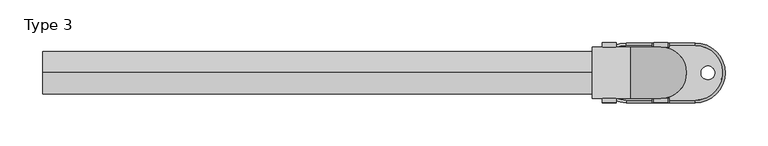
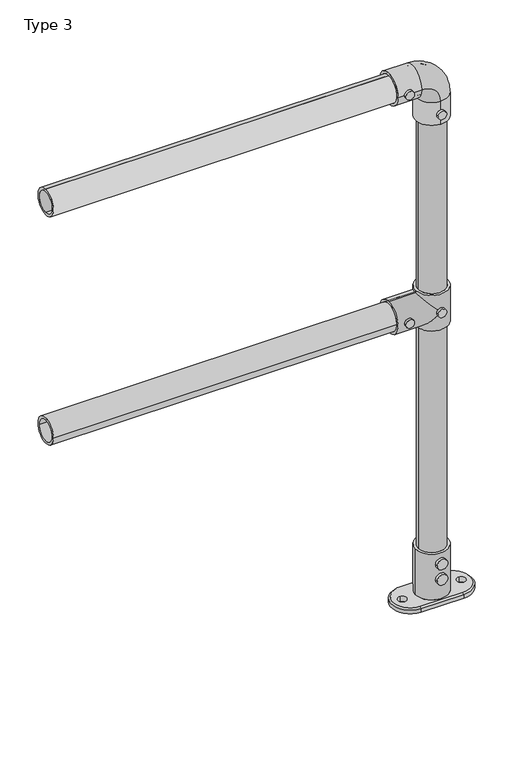
"""IFC4 building model written with IfcOpenShell, lengths in millimetres: proxy geometry, Type 3."""

import ifcopenshell
import ifcopenshell.guid

model = None  # the IFC model being written
_history = None  # IfcOwnerHistory: only IFC2X3 demands one
_inside = {}  # id of a spatial element -> (the spatial element, [elements in it])
_under = {}  # id of a project, library or spatial element -> (it, [spatial elements below it])
_declared = {}  # id of a project -> (the project, [libraries it declares])
_typed = {}  # id of a type object -> (the type object, [elements of that type])
_made_of = {}  # id of a material, layer set ... -> (it, [elements and type objects made of it])


def new_model(schema):
    """Start an empty IFC model of exactly this schema.

    Asked for "IFC4X3", IfcOpenShell would pick the latest addendum, in which some entities
    have other attributes; the version numbers below select the first issue.
    IFC2X3 requires an IfcOwnerHistory on every rooted entity: one is made here for all.
    """
    global model, _history
    if schema == "IFC4X3":
        model = ifcopenshell.file(schema_version=(4, 3, 0, 0))
    else:
        model = ifcopenshell.file(schema=schema)
    _inside.clear()
    _under.clear()
    _declared.clear()
    _typed.clear()
    _made_of.clear()
    _history = None
    if model.schema == "IFC2X3":
        org = make("IfcOrganization", Name="unknown")
        user = make(
            "IfcPersonAndOrganization",
            ThePerson=make("IfcPerson", FamilyName="unknown"),
            TheOrganization=org,
        )
        app = make(
            "IfcApplication",
            ApplicationDeveloper=org,
            Version="unknown",
            ApplicationFullName="unknown",
            ApplicationIdentifier="unknown",
        )
        _history = make(
            "IfcOwnerHistory",
            OwningUser=user,
            OwningApplication=app,
            ChangeAction="ADDED",
            CreationDate=0,
        )
    return model


def make(cls, **values):
    """One entity of the class cls with the attributes given. An attribute that is None is left unset."""
    return model.create_entity(
        cls, **{name: value for name, value in values.items() if value is not None}
    )


def rooted(cls, **values):
    """An entity with a GlobalId (a new one), such as an element, a storey or a relation."""
    return make(cls, GlobalId=ifcopenshell.guid.new(), OwnerHistory=_history, **values)


def si_unit(unit_type, name, prefix=None):
    """IfcSIUnit, for example si_unit("LENGTHUNIT", "METRE", prefix="MILLI")."""
    return make("IfcSIUnit", UnitType=unit_type, Prefix=prefix, Name=name)


def assignment(units):
    """IfcUnitAssignment: the units of a project."""
    return None if units is None else make("IfcUnitAssignment", Units=units)


def point(xyz):
    """IfcCartesianPoint."""
    return None if xyz is None else make("IfcCartesianPoint", Coordinates=xyz)


def direction(xyz):
    """IfcDirection."""
    return None if xyz is None else make("IfcDirection", DirectionRatios=xyz)


def frame(location, z_axis=None, x_axis=None):
    """IfcAxis2Placement3D, a coordinate frame: its origin and axes. An axis left out is left unset."""
    return make(
        "IfcAxis2Placement3D",
        Location=point(location),
        Axis=direction(z_axis),
        RefDirection=direction(x_axis),
    )


def frame_2d(location, x_axis=None):
    """IfcAxis2Placement2D, a coordinate frame in the plane: its origin and x axis."""
    return make(
        "IfcAxis2Placement2D", Location=point(location), RefDirection=direction(x_axis)
    )


def origin():
    """The frame at (0, 0, 0) with its axes left unset."""
    return frame((0.0, 0.0, 0.0))


def place(relative_to, where):
    """IfcLocalPlacement: puts the frame where relative to a parent placement (None: the world)."""
    return make(
        "IfcLocalPlacement", PlacementRelTo=relative_to, RelativePlacement=where
    )


def context(
    kind, dimensions, precision=None, world=None, true_north=None, identifier=None
):
    """IfcGeometricRepresentationContext, for example the 3D "Model" context."""
    return make(
        "IfcGeometricRepresentationContext",
        ContextIdentifier=identifier,
        ContextType=kind,
        CoordinateSpaceDimension=dimensions,
        Precision=precision,
        WorldCoordinateSystem=world,
        TrueNorth=true_north,
    )


def project(units=None, contexts=None):
    """IfcProject with its units and contexts."""
    return rooted(
        "IfcProject",
        Name="project",
        RepresentationContexts=contexts,
        UnitsInContext=assignment(units),
    )


def spatial(cls, under=None, at=None, **own):
    """A site, building, storey or space (cls), placed at a placement, below another one or the project."""
    s = rooted(cls, ObjectPlacement=at, **own)
    if under is not None:
        _under.setdefault(under.id(), (under, []))[1].append(s)
    return s


def polyline(points):
    """IfcPolyline through the points."""
    return make("IfcPolyline", Points=[point(p) for p in points])


def circle_curve(where, radius):
    """IfcCircle in the frame where."""
    return make("IfcCircle", Position=where, Radius=radius)


def ellipse_curve(where, semi_axis1, semi_axis2):
    """IfcEllipse in the frame where."""
    return make(
        "IfcEllipse", Position=where, SemiAxis1=semi_axis1, SemiAxis2=semi_axis2
    )


def trimmed(basis, trim1, trim2, sense, master):
    """IfcTrimmedCurve: the piece of a basis curve between two trims."""
    return make(
        "IfcTrimmedCurve",
        BasisCurve=basis,
        Trim1=trim1,
        Trim2=trim2,
        SenseAgreement=sense,
        MasterRepresentation=master,
    )


def segment(curve, same_sense, transition):
    """IfcCompositeCurveSegment."""
    return make(
        "IfcCompositeCurveSegment",
        Transition=transition,
        SameSense=same_sense,
        ParentCurve=curve,
    )


def composite_curve(segments, self_intersect=None):
    """IfcCompositeCurve: segments joined end to end."""
    return make("IfcCompositeCurve", Segments=segments, SelfIntersect=self_intersect)


def outline(outer, holes=None, kind="AREA"):
    """IfcArbitraryClosedProfileDef: a profile drawn as a closed curve; with holes, ...WithVoids."""
    if holes is None:
        return make("IfcArbitraryClosedProfileDef", ProfileType=kind, OuterCurve=outer)
    return make(
        "IfcArbitraryProfileDefWithVoids",
        ProfileType=kind,
        OuterCurve=outer,
        InnerCurves=holes,
    )


def extrude(swept, where, along, depth):
    """IfcExtrudedAreaSolid: the profile swept, set in the frame where, extruded along a direction by depth."""
    return make(
        "IfcExtrudedAreaSolid",
        SweptArea=swept,
        Position=where,
        ExtrudedDirection=direction(along),
        Depth=depth,
    )


def shape(context_of_items, identifier, shape_type, items):
    """IfcShapeRepresentation: the items that make up one representation, for example the "Body"."""
    return make(
        "IfcShapeRepresentation",
        ContextOfItems=context_of_items,
        RepresentationIdentifier=identifier,
        RepresentationType=shape_type,
        Items=items,
    )


def source(mapping_origin, context_of_items, identifier, shape_type, items):
    """IfcRepresentationMap: a shape defined once, which mapped items show again and again."""
    return make(
        "IfcRepresentationMap",
        MappingOrigin=mapping_origin,
        MappedRepresentation=shape(context_of_items, identifier, shape_type, items),
    )


def transform(
    local_origin,
    x_axis=None,
    y_axis=None,
    z_axis=None,
    scale=None,
    scale2=None,
    scale3=None,
    uniform=True,
):
    """IfcCartesianTransformationOperator3D, or its non-uniform kind. x_axis, y_axis, z_axis: its Axis1, 2, 3."""
    if uniform:
        return make(
            "IfcCartesianTransformationOperator3D",
            Axis1=direction(x_axis),
            Axis2=direction(y_axis),
            LocalOrigin=point(local_origin),
            Scale=scale,
            Axis3=direction(z_axis),
        )
    return make(
        "IfcCartesianTransformationOperator3DnonUniform",
        Axis1=direction(x_axis),
        Axis2=direction(y_axis),
        LocalOrigin=point(local_origin),
        Scale=scale,
        Axis3=direction(z_axis),
        Scale2=scale2,
        Scale3=scale3,
    )


def mapped(mapping_source, mapping_target):
    """IfcMappedItem: shows the shape of a source again, moved by a transform."""
    return make(
        "IfcMappedItem", MappingSource=mapping_source, MappingTarget=mapping_target
    )


def made_of(thing, what):
    """Note that an element or type object is made of a material, layer set ...; save() writes the relation."""
    if what is not None:
        _made_of.setdefault(what.id(), (what, []))[1].append(thing)
    return thing


def element(
    cls,
    number,
    at=None,
    inside=None,
    cuts=None,
    type_object=None,
    material=None,
    context=None,
    identifier="Body",
    shape_type=None,
    held_by="IfcProductDefinitionShape",
    body=None,
    shapes=None,
    **own,
):
    """One element of the class cls, such as IfcWall. Its Tag is "e" and its number.

    at: its placement. inside: the storey or other place that contains it. cuts: it is an
    opening in that element (IfcRelVoidsElement). A single representation is given by context,
    identifier, shape_type and body (its items); several are given by shapes. held_by: the class
    of the entity that holds the representations. save() writes the other relations.
    """
    e = rooted(cls, Tag="e%d" % number, ObjectPlacement=at, **own)
    if body is not None:
        shapes = [shape(context, identifier, shape_type, body)]
    if shapes is not None:
        e.Representation = make(held_by, Representations=shapes)
    if inside is not None:
        _inside.setdefault(inside.id(), (inside, []))[1].append(e)
    if cuts is not None:
        rooted(
            "IfcRelVoidsElement", RelatingBuildingElement=cuts, RelatedOpeningElement=e
        )
    if type_object is not None:
        _typed.setdefault(type_object.id(), (type_object, []))[1].append(e)
    return made_of(e, material)


def aggregate(whole, parts):
    """IfcRelAggregates: a whole, such as a stair, and the parts it consists of."""
    return rooted("IfcRelAggregates", RelatingObject=whole, RelatedObjects=parts)


def save(model, path):
    """Write the relations noted so far, then the file.

    IfcRelAggregates (storeys below a building ...), IfcRelContainedInSpatialStructure (elements
    in a storey), IfcRelDefinesByType, IfcRelAssociatesMaterial and IfcRelDeclares: one each for
    every whole, place, type object, material and project.
    """
    for whole, parts in _under.values():
        aggregate(whole, parts)
    for where, things in _inside.values():
        rooted(
            "IfcRelContainedInSpatialStructure",
            RelatedElements=things,
            RelatingStructure=where,
        )
    for kind, things in _typed.values():
        rooted("IfcRelDefinesByType", RelatedObjects=things, RelatingType=kind)
    for what, things in _made_of.values():
        rooted("IfcRelAssociatesMaterial", RelatedObjects=things, RelatingMaterial=what)
    for by, libraries in _declared.values():
        rooted("IfcRelDeclares", RelatingContext=by, RelatedDefinitions=libraries)
    model.write(path)


def plane_surface(at):
    """IfcPlane: the flat surface through the origin of the frame at, square to its z axis."""
    return make("IfcPlane", Position=at)


def cylinder_surface(at, radius):
    """IfcCylindricalSurface: all points at the distance radius from the z axis of the frame at."""
    return make("IfcCylindricalSurface", Position=at, Radius=radius)


def revolved_surface(curve, axis_point, axis_direction):
    """IfcSurfaceOfRevolution: the curve turned about the line through axis_point along axis_direction."""
    return make(
        "IfcSurfaceOfRevolution",
        SweptCurve=make("IfcArbitraryOpenProfileDef", ProfileType="CURVE", Curve=curve),
        AxisPosition=make("IfcAxis1Placement", Location=point(axis_point), Axis=direction(axis_direction)),
    )


def advanced_brep(points, edges, surfaces, faces):
    """IfcAdvancedBrep: a solid bounded by faces that lie on surfaces and meet in shared edges.

    An edge is (start, end): straight between two places in points (the first is 0);
    or (start, end, curve); or (start, end, curve, False) where it runs against its curve.
    A face is (place in surfaces, loops), or (place, loops, False) where it looks against
    its surface's normal. A loop lists edges by number (the first is 1), with a minus sign
    where the edge is run from its end to its start. The first loop is the outer one.
    """
    corners = [point(p) for p in points]
    vertices = [make("IfcVertexPoint", VertexGeometry=c) for c in corners]
    made = []
    for start, end, *more in edges:
        made.append(
            make(
                "IfcEdgeCurve",
                EdgeStart=vertices[start],
                EdgeEnd=vertices[end],
                EdgeGeometry=more[0] if more else make("IfcPolyline", Points=[corners[start], corners[end]]),
                SameSense=more[1] if len(more) > 1 else True,
            )
        )
    hull = []
    for where, loops, *sense in faces:
        bounds = []
        for j, loop in enumerate(loops):
            ring = [make("IfcOrientedEdge", EdgeElement=made[abs(k) - 1], Orientation=k > 0) for k in loop]
            bounds.append(
                make(
                    "IfcFaceOuterBound" if j == 0 else "IfcFaceBound",
                    Bound=make("IfcEdgeLoop", EdgeList=ring),
                    Orientation=True,
                )
            )
        hull.append(make("IfcAdvancedFace", Bounds=bounds, FaceSurface=surfaces[where], SameSense=sense[0] if sense else True))
    return make("IfcAdvancedBrep", Outer=make("IfcClosedShell", CfsFaces=hull))


def type_3_bb05e3bc(model_context):
    return source(origin(), model_context, "Body", "SolidModel", [
        extrude(outline(composite_curve([segment(trimmed(circle_curve(frame_2d((575.0, 800.0)), 8.0), [point((575.0, 808.0))], [point((575.0, 792.0))], False, "CARTESIAN"), True, "CONTINUOUS"), segment(trimmed(circle_curve(frame_2d((575.0, 800.0)), 8.0), [point((575.0, 792.0))], [point((575.0, 808.0))], False, "CARTESIAN"), True, "CONTINUOUS")], self_intersect=False)), frame((0.0, -35.0, 0.0), z_axis=(0.0, 1.0, 0.0), x_axis=(0.0, 0.0, 1.0)), (0.0, 0.0, 1.0), 5.0),
        extrude(outline(composite_curve([segment(trimmed(circle_curve(frame_2d((575.0, 740.0)), 8.0), [point((575.0, 748.0))], [point((575.0, 732.0))], False, "CARTESIAN"), True, "CONTINUOUS"), segment(trimmed(circle_curve(frame_2d((575.0, 740.0)), 8.0), [point((575.0, 732.0))], [point((575.0, 748.0))], False, "CARTESIAN"), True, "CONTINUOUS")], self_intersect=False)), frame((0.0, -35.0, 0.0), z_axis=(0.0, 1.0, 0.0), x_axis=(0.0, 0.0, 1.0)), (0.0, 0.0, 1.0), 5.0),
        extrude(outline(composite_curve([segment(trimmed(circle_curve(frame_2d((575.0, 800.0)), 8.0), [point((575.0, 808.0))], [point((575.0, 792.0))], False, "CARTESIAN"), True, "CONTINUOUS"), segment(trimmed(circle_curve(frame_2d((575.0, 800.0)), 8.0), [point((575.0, 792.0))], [point((575.0, 808.0))], False, "CARTESIAN"), True, "CONTINUOUS")], self_intersect=False)), frame((0.0, 30.0, 0.0), z_axis=(0.0, 1.0, 0.0), x_axis=(0.0, 0.0, 1.0)), (0.0, 0.0, 1.0), 5.0),
        extrude(outline(composite_curve([segment(trimmed(circle_curve(frame_2d((575.0, 740.0)), 8.0), [point((575.0, 748.0))], [point((575.0, 732.0))], False, "CARTESIAN"), True, "CONTINUOUS"), segment(trimmed(circle_curve(frame_2d((575.0, 740.0)), 8.0), [point((575.0, 732.0))], [point((575.0, 748.0))], False, "CARTESIAN"), True, "CONTINUOUS")], self_intersect=False)), frame((0.0, 30.0, 0.0), z_axis=(0.0, 1.0, 0.0), x_axis=(0.0, 0.0, 1.0)), (0.0, 0.0, 1.0), 5.0),
        advanced_brep(
        [(830.0, 0.0, 610.0), (770.0, 0.0, 610.0), (800.0, 25.0, 610.0), (800.0, -25.0, 610.0), (830.0, 0.0, 540.0), (770.0, 0.0, 540.0), (800.0, -25.0, 540.0), (800.0, 25.0, 540.0), (770.0, 0.0, 545.0), (800.0, 30.0, 575.0), (770.0, 0.0, 605.0), (800.0, -30.0, 575.0), (720.0, 0.0, 545.0), (720.0, 0.0, 605.0), (720.0, 0.0, 600.0), (720.0, 0.0, 550.0), (775.0, 0.0, 600.0), (800.0, -25.0, 575.0), (775.0, 0.0, 550.0), (800.0, 25.0, 575.0)],
        [
            (0, 1, circle_curve(frame((800.0, 0.0, 610.0), z_axis=(0.0, 0.0, 1.0), x_axis=(-1.0, 0.0, 0.0)), 30.0)),
            (1, 0, circle_curve(frame((800.0, 0.0, 610.0), z_axis=(0.0, 0.0, 1.0), x_axis=(-1.0, 0.0, 0.0)), 30.0)),
            (2, 3, circle_curve(frame((800.0, 0.0, 610.0), z_axis=(0.0, 0.0, -1.0), x_axis=(0.0, -1.0, 0.0)), 25.0)),
            (3, 2, circle_curve(frame((800.0, 0.0, 610.0), z_axis=(0.0, 0.0, -1.0), x_axis=(0.0, -1.0, 0.0)), 25.0)),
            (4, 5, circle_curve(frame((800.0, 0.0, 540.0), z_axis=(0.0, 0.0, -1.0), x_axis=(-1.0, 0.0, 0.0)), 30.0)),
            (5, 4, circle_curve(frame((800.0, 0.0, 540.0), z_axis=(0.0, 0.0, -1.0), x_axis=(-1.0, 0.0, 0.0)), 30.0)),
            (6, 7, circle_curve(frame((800.0, 0.0, 540.0), z_axis=(0.0, 0.0, 1.0), x_axis=(0.0, -1.0, 0.0)), 25.0)),
            (7, 6, circle_curve(frame((800.0, 0.0, 540.0), z_axis=(0.0, 0.0, 1.0), x_axis=(0.0, -1.0, 0.0)), 25.0)),
            (0, 4),
            (5, 8),
            (8, 9, ellipse_curve(frame((800.0, 0.0, 575.0), z_axis=(0.7071067811865458, 0.0, -0.7071067811865492), x_axis=(0.7071067811865492, 0.0, 0.7071067811865458)), 42.4264069, 30.0)),
            (9, 10, ellipse_curve(frame((800.0, 0.0, 575.0), z_axis=(0.7071067811865492, 0.0, 0.7071067811865458), x_axis=(-0.7071067811865458, 0.0, 0.7071067811865492)), 42.4264069, 30.0)),
            (10, 1),
            (10, 11, ellipse_curve(frame((800.0, 0.0, 575.0), z_axis=(0.7071067811865492, 0.0, 0.7071067811865458), x_axis=(-0.7071067811865458, 0.0, 0.7071067811865492)), 42.4264069, 30.0)),
            (11, 8, ellipse_curve(frame((800.0, 0.0, 575.0), z_axis=(0.7071067811865458, 0.0, -0.7071067811865492), x_axis=(0.7071067811865492, 0.0, 0.7071067811865458)), 42.4264069, 30.0)),
            (12, 13, circle_curve(frame((720.0, 0.0, 575.0), z_axis=(-1.0, 0.0, 0.0), x_axis=(0.0, 0.0, 1.0)), 30.0)),
            (13, 12, circle_curve(frame((720.0, 0.0, 575.0), z_axis=(-1.0, 0.0, 0.0), x_axis=(0.0, 0.0, 1.0)), 30.0)),
            (14, 15, circle_curve(frame((720.0, 0.0, 575.0), z_axis=(1.0, 0.0, 0.0), x_axis=(0.0, 0.0, -1.0)), 25.0)),
            (15, 14, circle_curve(frame((720.0, 0.0, 575.0), z_axis=(1.0, 0.0, 0.0), x_axis=(0.0, 0.0, -1.0)), 25.0)),
            (12, 8),
            (10, 13),
            (14, 16),
            (16, 17, ellipse_curve(frame((800.0, 0.0, 575.0), z_axis=(0.7071067811865492, 0.0, 0.7071067811865458), x_axis=(0.7071067811865458, 0.0, -0.7071067811865492)), 35.3553391, 25.0)),
            (17, 18, ellipse_curve(frame((800.0, 0.0, 575.0), z_axis=(0.7071067811865458, 0.0, -0.7071067811865492), x_axis=(0.7071067811865492, 0.0, 0.7071067811865457)), 35.3553391, 25.0)),
            (18, 15),
            (18, 19, ellipse_curve(frame((800.0, 0.0, 575.0), z_axis=(0.7071067811865458, 0.0, -0.7071067811865492), x_axis=(0.7071067811865492, 0.0, 0.7071067811865457)), 35.3553391, 25.0)),
            (19, 16, ellipse_curve(frame((800.0, 0.0, 575.0), z_axis=(0.7071067811865492, 0.0, 0.7071067811865458), x_axis=(0.7071067811865458, 0.0, -0.7071067811865492)), 35.3553391, 25.0)),
            (2, 19),
            (19, 7),
            (6, 17),
            (17, 3),
        ],
        [
            plane_surface(frame((770.0, 0.0, 610.0), z_axis=(0.0, 0.0, 1.0), x_axis=(0.0, -1.0, 0.0))),
            plane_surface(frame((770.0, 0.0, 540.0), z_axis=(0.0, 0.0, -1.0), x_axis=(0.0, 1.0, 0.0))),
            cylinder_surface(frame((800.0, 0.0, 540.0), z_axis=(0.0, 0.0, 1.0), x_axis=(-1.0, 0.0, 0.0)), 30.0),
            plane_surface(frame((720.0, 0.0, 605.0), z_axis=(-1.0, 0.0, 0.0), x_axis=(0.0, 1.0, 0.0))),
            cylinder_surface(frame((800.0, 0.0, 575.0), z_axis=(-1.0, 0.0, 0.0), x_axis=(0.0, 0.0, 1.0)), 30.0),
            revolved_surface(polyline([(825.0000000287599, 0.0, 550.0), (720.0, 0.0, 550.0)]), (720.0, 0.0, 575.0), (1.0, 0.0, 0.0)),
            revolved_surface(polyline([(800.0, -25.0, 540.0), (800.0, -25.0, 610.0)]), (800.0, 0.0, 610.0), (0.0, 0.0, -1.0)),
            revolved_surface(polyline([(800.0, -25.0, 549.9999999712401), (800.0, -25.0, 610.0)]), (800.0, 0.0, 610.0), (0.0, 0.0, -1.0)),
            revolved_surface(polyline([(800.0, -25.0, 540.0), (800.0, -25.0, 600.0000000287598)]), (800.0, 0.0, 610.0), (0.0, 0.0, -1.0)),
        ],
        [
            (0, [[1, 2], [3, 4]]),
            (1, [[5, 6], [7, 8]]),
            (2, [[-1, 9, -6, 10, 11, 12, 13]]),
            (2, [[-2, -13, 14, 15, -10, -5, -9]]),
            (3, [[16, 17], [18, 19]]),
            (4, [[-16, 20, -15, -14, 21]]),
            (4, [[-17, -21, -12, -11, -20]]),
            (5, [[-18, 22, 23, 24, 25]]),
            (5, [[-19, -25, 26, 27, -22]]),
            (6, [[28, 29, -7, 30, 31, -3]]),
            (7, [[-28, -4, -31, -23, -27]]),
            (8, [[-29, -26, -24, -30, -8]]),
        ],
    ),
        extrude(outline(composite_curve([segment(trimmed(circle_curve(frame_2d((1025.0, 740.0)), 8.0), [point((1025.0, 748.0))], [point((1025.0, 732.0))], False, "CARTESIAN"), True, "CONTINUOUS"), segment(trimmed(circle_curve(frame_2d((1025.0, 740.0)), 8.0), [point((1025.0, 732.0))], [point((1025.0, 748.0))], False, "CARTESIAN"), True, "CONTINUOUS")], self_intersect=False)), frame((0.0, 30.0, 0.0), z_axis=(0.0, 1.0, 0.0), x_axis=(0.0, 0.0, 1.0)), (0.0, 0.0, 1.0), 5.0),
        extrude(outline(composite_curve([segment(trimmed(circle_curve(frame_2d((965.0, 800.0)), 8.0), [point((965.0, 808.0))], [point((965.0, 792.0))], False, "CARTESIAN"), True, "CONTINUOUS"), segment(trimmed(circle_curve(frame_2d((965.0, 800.0)), 8.0), [point((965.0, 792.0))], [point((965.0, 808.0))], False, "CARTESIAN"), True, "CONTINUOUS")], self_intersect=False)), frame((0.0, 30.0, 0.0), z_axis=(0.0, 1.0, 0.0), x_axis=(0.0, 0.0, 1.0)), (0.0, 0.0, 1.0), 5.0),
        extrude(outline(composite_curve([segment(trimmed(circle_curve(frame_2d((1025.0, 740.0)), 8.0), [point((1025.0, 748.0))], [point((1025.0, 732.0))], False, "CARTESIAN"), True, "CONTINUOUS"), segment(trimmed(circle_curve(frame_2d((1025.0, 740.0)), 8.0), [point((1025.0, 732.0))], [point((1025.0, 748.0))], False, "CARTESIAN"), True, "CONTINUOUS")], self_intersect=False)), frame((0.0, -35.0, 0.0), z_axis=(0.0, 1.0, 0.0), x_axis=(0.0, 0.0, 1.0)), (0.0, 0.0, 1.0), 5.0),
        extrude(outline(composite_curve([segment(trimmed(circle_curve(frame_2d((965.0, 800.0)), 8.0), [point((965.0, 808.0))], [point((965.0, 792.0))], False, "CARTESIAN"), True, "CONTINUOUS"), segment(trimmed(circle_curve(frame_2d((965.0, 800.0)), 8.0), [point((965.0, 792.0))], [point((965.0, 808.0))], False, "CARTESIAN"), True, "CONTINUOUS")], self_intersect=False)), frame((0.0, -35.0, 0.0), z_axis=(0.0, 1.0, 0.0), x_axis=(0.0, 0.0, 1.0)), (0.0, 0.0, 1.0), 5.0),
        advanced_brep(
        [(800.0, -30.0, 945.0), (800.0, 30.0, 945.0), (800.0, -25.0, 945.0), (800.0, 25.0, 945.0), (800.0, 30.0, 990.0), (800.0, -30.0, 990.0), (765.0, 30.0, 1025.0), (765.0, -30.0, 1025.0), (720.0, -30.0, 1025.0), (720.0, 30.0, 1025.0), (720.0, -25.0, 1025.0), (720.0, 25.0, 1025.0), (800.0, 25.0, 990.0), (800.0, -25.0, 990.0), (765.0, 25.0, 1025.0), (765.0, -25.0, 1025.0)],
        [
            (0, 1, circle_curve(frame((800.0, 0.0, 945.0), z_axis=(0.0, 0.0, -1.0), x_axis=(0.0, 1.0, 0.0)), 30.0)),
            (1, 0, circle_curve(frame((800.0, 0.0, 945.0), z_axis=(0.0, 0.0, -1.0), x_axis=(0.0, 1.0, 0.0)), 30.0)),
            (2, 3, circle_curve(frame((800.0, 0.0, 945.0), z_axis=(0.0, 0.0, 1.0), x_axis=(0.0, 1.0, 0.0)), 25.0)),
            (3, 2, circle_curve(frame((800.0, 0.0, 945.0), z_axis=(0.0, 0.0, 1.0), x_axis=(0.0, 1.0, 0.0)), 25.0)),
            (1, 4),
            (4, 5, circle_curve(frame((800.0, 0.0, 990.0), z_axis=(0.0, 0.0, -1.0), x_axis=(0.0, 1.0, 0.0)), 30.0)),
            (5, 0),
            (5, 4, circle_curve(frame((800.0, 0.0, 990.0), z_axis=(0.0, 0.0, -1.0), x_axis=(0.0, 1.0, 0.0)), 30.0)),
            (6, 7, circle_curve(frame((765.0, 0.0, 1025.0), z_axis=(1.0, 0.0, 0.0), x_axis=(0.0, 1.0, 0.0)), 30.0)),
            (7, 5, circle_curve(frame((765.0, -30.0, 990.0), z_axis=(0.0, 1.0, 0.0), x_axis=(1.0, 0.0, 0.0)), 35.0)),
            (4, 6, circle_curve(frame((765.0, 30.0, 990.0), z_axis=(0.0, -1.0, 0.0), x_axis=(1.0, 0.0, 0.0)), 35.0)),
            (7, 6, circle_curve(frame((765.0, 0.0, 1025.0), z_axis=(1.0, 0.0, 0.0), x_axis=(0.0, 1.0, 0.0)), 30.0)),
            (8, 9, circle_curve(frame((720.0, 0.0, 1025.0), z_axis=(-1.0, 0.0, 0.0), x_axis=(0.0, 1.0, 0.0)), 30.0)),
            (9, 8, circle_curve(frame((720.0, 0.0, 1025.0), z_axis=(-1.0, 0.0, 0.0), x_axis=(0.0, 1.0, 0.0)), 30.0)),
            (10, 11, circle_curve(frame((720.0, 0.0, 1025.0), z_axis=(1.0, 0.0, 0.0), x_axis=(0.0, 1.0, 0.0)), 25.0)),
            (11, 10, circle_curve(frame((720.0, 0.0, 1025.0), z_axis=(1.0, 0.0, 0.0), x_axis=(0.0, 1.0, 0.0)), 25.0)),
            (6, 9),
            (8, 7),
            (3, 12),
            (12, 13, circle_curve(frame((800.0, 0.0, 990.0), z_axis=(0.0, 0.0, 1.0), x_axis=(0.0, 1.0, 0.0)), 25.0)),
            (13, 2),
            (13, 12, circle_curve(frame((800.0, 0.0, 990.0), z_axis=(0.0, 0.0, 1.0), x_axis=(0.0, 1.0, 0.0)), 25.0)),
            (14, 15, circle_curve(frame((765.0, 0.0, 1025.0), z_axis=(-1.0, 0.0, 0.0), x_axis=(0.0, 1.0, 0.0)), 25.0)),
            (15, 13, circle_curve(frame((765.0, -25.0, 990.0), z_axis=(0.0, 1.0, 0.0), x_axis=(1.0, 0.0, 0.0)), 35.0)),
            (12, 14, circle_curve(frame((765.0, 25.0, 990.0), z_axis=(0.0, -1.0, 0.0), x_axis=(1.0, 0.0, 0.0)), 35.0)),
            (15, 14, circle_curve(frame((765.0, 0.0, 1025.0), z_axis=(-1.0, 0.0, 0.0), x_axis=(0.0, 1.0, 0.0)), 25.0)),
            (14, 11),
            (10, 15),
        ],
        [
            plane_surface(frame((770.0, 0.0, 945.0), z_axis=(0.0, 0.0, -1.0), x_axis=(0.0, -1.0, 0.0))),
            cylinder_surface(frame((800.0, 0.0, 945.0), z_axis=(0.0, 0.0, -1.0), x_axis=(0.0, 1.0, 0.0)), 30.0),
            revolved_surface(trimmed(ellipse_curve(frame((800.0, 0.0, 990.0), z_axis=(0.0, 0.0, 1.0), x_axis=(0.0, 1.0, 0.0)), 30.0, 30.0), [point((800.0, -30.0, 990.0))], [point((800.0, 30.0, 990.0))], True, "CARTESIAN"), (765.0, 0.0, 990.0), (0.0, 1.0, 0.0)),
            revolved_surface(trimmed(ellipse_curve(frame((800.0, 0.0, 990.0), z_axis=(0.0, 0.0, 1.0), x_axis=(0.0, 1.0, 0.0)), 30.0, 30.0), [point((800.0, 30.0, 990.0))], [point((800.0, -30.0, 990.0))], True, "CARTESIAN"), (765.0, 0.0, 990.0), (0.0, 1.0, 0.0)),
            plane_surface(frame((720.0, 0.0, 995.0), z_axis=(-1.0, 0.0, 0.0), x_axis=(0.0, -1.0, 0.0))),
            cylinder_surface(frame((765.0, 0.0, 1025.0), z_axis=(1.0, 0.0, 0.0), x_axis=(0.0, 1.0, 0.0)), 30.0),
            revolved_surface(polyline([(800.0, 25.0, 990.0), (800.0, 25.0, 945.0)]), (800.0, 0.0, 945.0), (0.0, 0.0, 1.0)),
            revolved_surface(trimmed(ellipse_curve(frame((800.0, 0.0, 990.0), z_axis=(0.0, 0.0, -1.0), x_axis=(0.0, 1.0, 0.0)), 25.0, 25.0), [point((800.0, -25.0, 990.0))], [point((800.0, 25.0, 990.0))], True, "CARTESIAN"), (765.0, 0.0, 990.0), (0.0, 1.0, 0.0)),
            revolved_surface(trimmed(ellipse_curve(frame((800.0, 0.0, 990.0), z_axis=(0.0, 0.0, -1.0), x_axis=(0.0, 1.0, 0.0)), 25.0, 25.0), [point((800.0, 25.0, 990.0))], [point((800.0, -25.0, 990.0))], True, "CARTESIAN"), (765.0, 0.0, 990.0), (0.0, 1.0, 0.0)),
            revolved_surface(polyline([(720.0, 25.0, 1025.0), (765.0, 25.0, 1025.0)]), (765.0, 0.0, 1025.0), (-1.0, 0.0, 0.0)),
        ],
        [
            (0, [[1, 2], [3, 4]]),
            (1, [[5, 6, 7, -2]]),
            (1, [[-7, 8, -5, -1]]),
            (2, [[9, 10, -6, 11]]),
            (3, [[12, -11, -8, -10]]),
            (4, [[13, 14], [15, 16]]),
            (5, [[17, -13, 18, -9]]),
            (5, [[-18, -14, -17, -12]]),
            (6, [[19, 20, 21, -4]]),
            (6, [[-21, 22, -19, -3]]),
            (7, [[23, 24, -20, 25]]),
            (8, [[26, -25, -22, -24]]),
            (9, [[27, -15, 28, -23]]),
            (9, [[-28, -16, -27, -26]]),
        ],
    ),
        extrude(outline(composite_curve([segment(trimmed(circle_curve(frame_2d((0.0, 575.0)), 25.0), [point((-25.0, 575.0))], [point((25.0, 575.0))], False, "CARTESIAN"), True, "CONTINUOUS"), segment(trimmed(circle_curve(frame_2d((0.0, 575.0)), 25.0), [point((25.0, 575.0))], [point((-25.0, 575.0))], False, "CARTESIAN"), True, "CONTINUOUS")], self_intersect=False), holes=[composite_curve([segment(trimmed(circle_curve(frame_2d((0.0, 575.0)), 20.0), [point((-20.0, 575.0))], [point((20.0, 575.0))], True, "CARTESIAN"), True, "CONTINUOUS"), segment(trimmed(circle_curve(frame_2d((0.0, 575.0)), 20.0), [point((20.0, 575.0))], [point((-20.0, 575.0))], True, "CARTESIAN"), True, "CONTINUOUS")], self_intersect=False)]), frame((80.0, 0.0, 0.0), z_axis=(1.0, 0.0, 0.0), x_axis=(0.0, 1.0, 0.0)), (0.0, 0.0, 1.0), 640.0),
        extrude(outline(composite_curve([segment(trimmed(circle_curve(frame_2d((0.0, 1025.0)), 25.0), [point((0.0, 1050.0))], [point((0.0, 1000.0))], False, "CARTESIAN"), True, "CONTINUOUS"), segment(trimmed(circle_curve(frame_2d((0.0, 1025.0)), 25.0), [point((0.0, 1000.0))], [point((0.0, 1050.0))], False, "CARTESIAN"), True, "CONTINUOUS")], self_intersect=False), holes=[composite_curve([segment(trimmed(circle_curve(frame_2d((0.0, 1025.0)), 20.0), [point((0.0, 1045.0))], [point((0.0, 1005.0))], True, "CARTESIAN"), True, "CONTINUOUS"), segment(trimmed(circle_curve(frame_2d((0.0, 1025.0)), 20.0), [point((0.0, 1005.0))], [point((0.0, 1045.0))], True, "CARTESIAN"), True, "CONTINUOUS")], self_intersect=False)]), frame((80.0, 0.0, 0.0), z_axis=(1.0, 0.0, 0.0), x_axis=(0.0, 1.0, 0.0)), (0.0, 0.0, 1.0), 640.0),
        extrude(outline(composite_curve([segment(trimmed(circle_curve(frame_2d((800.0, 0.0)), 25.0), [point((775.0, 0.0))], [point((825.0, 0.0))], False, "CARTESIAN"), True, "CONTINUOUS"), segment(trimmed(circle_curve(frame_2d((800.0, 0.0)), 25.0), [point((825.0, 0.0))], [point((775.0, 0.0))], False, "CARTESIAN"), True, "CONTINUOUS")], self_intersect=False), holes=[composite_curve([segment(trimmed(circle_curve(frame_2d((800.0, 0.0)), 20.0), [point((780.0, 0.0))], [point((820.0, 0.0))], True, "CARTESIAN"), True, "CONTINUOUS"), segment(trimmed(circle_curve(frame_2d((800.0, 0.0)), 20.0), [point((820.0, 0.0))], [point((780.0, 0.0))], True, "CARTESIAN"), True, "CONTINUOUS")], self_intersect=False)]), frame((0.0, 0.0, 610.0), z_axis=(0.0, 0.0, 1.0), x_axis=(1.0, 0.0, 0.0)), (0.0, 0.0, 1.0), 335.0),
        extrude(outline(composite_curve([segment(trimmed(circle_curve(frame_2d((800.0, 0.0)), 25.0), [point((825.0, 0.0))], [point((775.0, 0.0))], False, "CARTESIAN"), True, "CONTINUOUS"), segment(trimmed(circle_curve(frame_2d((800.0, 0.0)), 25.0), [point((775.0, 0.0))], [point((825.0, 0.0))], False, "CARTESIAN"), True, "CONTINUOUS")], self_intersect=False), holes=[composite_curve([segment(trimmed(circle_curve(frame_2d((800.0, 0.0)), 20.0), [point((820.0, 0.0))], [point((780.0, 0.0))], True, "CARTESIAN"), True, "CONTINUOUS"), segment(trimmed(circle_curve(frame_2d((800.0, 0.0)), 20.0), [point((780.0, 0.0))], [point((820.0, 0.0))], True, "CARTESIAN"), True, "CONTINUOUS")], self_intersect=False)]), frame((0.0, 0.0, 100.0), z_axis=(0.0, 0.0, 1.0), x_axis=(1.0, 0.0, 0.0)), (0.0, 0.0, 1.0), 440.0),
        extrude(outline(composite_curve([segment(trimmed(circle_curve(frame_2d((80.0, 800.0)), 10.0), [point((80.0, 790.0))], [point((80.0, 810.0))], False, "CARTESIAN"), True, "CONTINUOUS"), segment(trimmed(circle_curve(frame_2d((80.0, 800.0)), 10.0), [point((80.0, 810.0))], [point((80.0, 790.0))], False, "CARTESIAN"), True, "CONTINUOUS")], self_intersect=False)), frame((0.0, 30.0, 0.0), z_axis=(0.0, 1.0, 0.0), x_axis=(0.0, 0.0, 1.0)), (0.0, 0.0, 1.0), 5.0),
        extrude(outline(composite_curve([segment(trimmed(circle_curve(frame_2d((50.0, 800.0)), 10.0), [point((50.0, 790.0))], [point((50.0, 810.0))], False, "CARTESIAN"), True, "CONTINUOUS"), segment(trimmed(circle_curve(frame_2d((50.0, 800.0)), 10.0), [point((50.0, 810.0))], [point((50.0, 790.0))], False, "CARTESIAN"), True, "CONTINUOUS")], self_intersect=False)), frame((0.0, 30.0, 0.0), z_axis=(0.0, 1.0, 0.0), x_axis=(0.0, 0.0, 1.0)), (0.0, 0.0, 1.0), 5.0),
        extrude(outline(composite_curve([segment(trimmed(circle_curve(frame_2d((80.0, 800.0)), 10.0), [point((80.0, 790.0))], [point((80.0, 810.0))], False, "CARTESIAN"), True, "CONTINUOUS"), segment(trimmed(circle_curve(frame_2d((80.0, 800.0)), 10.0), [point((80.0, 810.0))], [point((80.0, 790.0))], False, "CARTESIAN"), True, "CONTINUOUS")], self_intersect=False)), frame((0.0, -35.0, 0.0), z_axis=(0.0, 1.0, 0.0), x_axis=(0.0, 0.0, 1.0)), (0.0, 0.0, 1.0), 5.0),
        extrude(outline(composite_curve([segment(trimmed(circle_curve(frame_2d((50.0, 800.0)), 10.0), [point((50.0, 790.0))], [point((50.0, 810.0))], False, "CARTESIAN"), True, "CONTINUOUS"), segment(trimmed(circle_curve(frame_2d((50.0, 800.0)), 10.0), [point((50.0, 810.0))], [point((50.0, 790.0))], False, "CARTESIAN"), True, "CONTINUOUS")], self_intersect=False)), frame((0.0, -35.0, 0.0), z_axis=(0.0, 1.0, 0.0), x_axis=(0.0, 0.0, 1.0)), (0.0, 0.0, 1.0), 5.0),
        advanced_brep(
        [(825.0, 0.0, 10.0), (775.0, 0.0, 10.0), (840.0, -32.0, 10.0), (840.0, 32.0, 10.0), (760.0, 32.0, 10.0), (760.0, -32.0, 10.0), (830.0, 0.0, 10.0), (770.0, 0.0, 10.0), (745.0, -8.0, 10.0), (745.0, 8.0, 10.0), (855.0, -8.0, 10.0), (855.0, 8.0, 10.0), (840.0, 35.0, 0.0), (840.0, -35.0, 0.0), (760.0, -35.0, 0.0), (760.0, 35.0, 0.0), (745.0, 8.0, 0.0), (745.0, -8.0, 0.0), (855.0, 8.0, 0.0), (855.0, -8.0, 0.0), (760.0, 35.0, 7.0), (840.0, 35.0, 7.0), (760.0, -35.0, 7.0), (840.0, -35.0, 7.0), (770.0, 0.0, 100.0), (830.0, 0.0, 100.0), (775.0, 0.0, 100.0), (825.0, 0.0, 100.0)],
        [
            (0, 1, circle_curve(frame((800.0, 0.0, 10.0), z_axis=(0.0, 0.0, 1.0), x_axis=(1.0, 0.0, 0.0)), 25.0)),
            (1, 0, circle_curve(frame((800.0, 0.0, 10.0), z_axis=(0.0, 0.0, 1.0), x_axis=(1.0, 0.0, 0.0)), 25.0)),
            (2, 3, circle_curve(frame((840.0, 0.0, 10.0), z_axis=(0.0, 0.0, 1.0), x_axis=(0.0, -1.0, 0.0)), 32.0)),
            (3, 4),
            (4, 5, circle_curve(frame((760.0, 0.0, 10.0), z_axis=(0.0, 0.0, 1.0), x_axis=(0.0, 1.0, 0.0)), 32.0)),
            (5, 2),
            (6, 7, circle_curve(frame((800.0, 0.0, 10.0), z_axis=(0.0, 0.0, -1.0), x_axis=(1.0, 0.0, 0.0)), 30.0)),
            (7, 6, circle_curve(frame((800.0, 0.0, 10.0), z_axis=(0.0, 0.0, -1.0), x_axis=(1.0, 0.0, 0.0)), 30.0)),
            (8, 9, circle_curve(frame((745.0, 0.0, 10.0), z_axis=(0.0, 0.0, -1.0), x_axis=(0.0, 1.0, 0.0)), 8.0)),
            (9, 8, circle_curve(frame((745.0, 0.0, 10.0), z_axis=(0.0, 0.0, -1.0), x_axis=(0.0, 1.0, 0.0)), 8.0)),
            (10, 11, circle_curve(frame((855.0, 0.0, 10.0), z_axis=(0.0, 0.0, -1.0), x_axis=(0.0, 1.0, 0.0)), 8.0)),
            (11, 10, circle_curve(frame((855.0, 0.0, 10.0), z_axis=(0.0, 0.0, -1.0), x_axis=(0.0, 1.0, 0.0)), 8.0)),
            (12, 13, circle_curve(frame((840.0, 0.0, 0.0), z_axis=(0.0, 0.0, -1.0), x_axis=(1.0, 0.0, 0.0)), 35.0)),
            (13, 14),
            (14, 15, circle_curve(frame((760.0, 0.0, 0.0), z_axis=(0.0, 0.0, -1.0), x_axis=(1.0, 0.0, 0.0)), 35.0)),
            (15, 12),
            (16, 17, circle_curve(frame((745.0, 0.0, 0.0), z_axis=(0.0, 0.0, 1.0), x_axis=(0.0, 1.0, 0.0)), 8.0)),
            (17, 16, circle_curve(frame((745.0, 0.0, 0.0), z_axis=(0.0, 0.0, 1.0), x_axis=(0.0, 1.0, 0.0)), 8.0)),
            (18, 19, circle_curve(frame((855.0, 0.0, 0.0), z_axis=(0.0, 0.0, 1.0), x_axis=(0.0, 1.0, 0.0)), 8.0)),
            (19, 18, circle_curve(frame((855.0, 0.0, 0.0), z_axis=(0.0, 0.0, 1.0), x_axis=(0.0, 1.0, 0.0)), 8.0)),
            (15, 20),
            (20, 21),
            (21, 12),
            (14, 22),
            (22, 20, circle_curve(frame((760.0, 0.0, 7.0), z_axis=(0.0, 0.0, -1.0), x_axis=(1.0, 0.0, 0.0)), 35.0)),
            (13, 23),
            (23, 22),
            (21, 23, circle_curve(frame((840.0, 0.0, 7.0), z_axis=(0.0, 0.0, -1.0), x_axis=(1.0, 0.0, 0.0)), 35.0)),
            (24, 25, circle_curve(frame((800.0, 0.0, 100.0), z_axis=(0.0, 0.0, 1.0), x_axis=(1.0, 0.0, 0.0)), 30.0)),
            (25, 24, circle_curve(frame((800.0, 0.0, 100.0), z_axis=(0.0, 0.0, 1.0), x_axis=(1.0, 0.0, 0.0)), 30.0)),
            (26, 27, circle_curve(frame((800.0, 0.0, 100.0), z_axis=(0.0, 0.0, -1.0), x_axis=(1.0, 0.0, 0.0)), 25.0)),
            (27, 26, circle_curve(frame((800.0, 0.0, 100.0), z_axis=(0.0, 0.0, -1.0), x_axis=(1.0, 0.0, 0.0)), 25.0)),
            (24, 7),
            (6, 25),
            (26, 1),
            (0, 27),
            (21, 3),
            (2, 23),
            (20, 4),
            (22, 5),
            (16, 9),
            (8, 17),
            (18, 11),
            (10, 19),
        ],
        [
            plane_surface(frame((760.0, 35.0, 10.0), z_axis=(0.0, 0.0, 1.0), x_axis=(-1.0, 0.0, 0.0))),
            plane_surface(frame((760.0, 35.0, 0.0), z_axis=(0.0, 0.0, -1.0), x_axis=(1.0, 0.0, 0.0))),
            plane_surface(frame((840.0, 35.0, 10.0), z_axis=(0.0, 1.0, 0.0), x_axis=(0.0, 0.0, -1.0))),
            cylinder_surface(frame((760.0, 0.0, 0.0), z_axis=(0.0, 0.0, 1.0), x_axis=(1.0, 0.0, 0.0)), 35.0),
            plane_surface(frame((760.0, -35.0, 10.0), z_axis=(0.0, -1.0, 0.0), x_axis=(0.0, 0.0, -1.0))),
            cylinder_surface(frame((840.0, 0.0, 0.0), z_axis=(0.0, 0.0, 1.0), x_axis=(1.0, 0.0, 0.0)), 35.0),
            plane_surface(frame((830.0, 0.0, 100.0), z_axis=(0.0, 0.0, 1.0), x_axis=(0.0, 1.0, 0.0))),
            cylinder_surface(frame((800.0, 0.0, 0.0), z_axis=(0.0, 0.0, 1.0), x_axis=(1.0, 0.0, 0.0)), 30.0),
            revolved_surface(polyline([(825.0, 0.0, 10.0), (825.0, 0.0, 100.0)]), (800.0, 0.0, 0.0), (0.0, 0.0, -1.0)),
            revolved_surface(polyline([(840.0, -35.0, 7.0), (840.0, -32.0, 10.0)]), (840.0, 0.0, 10.0), (0.0, 0.0, 1.0)),
            plane_surface(frame((840.0, 32.0, 10.0), z_axis=(0.0, 0.7071067811865211, 0.707106781186574), x_axis=(-1.0, 0.0, 0.0))),
            revolved_surface(polyline([(760.0, 35.0, 7.0), (760.0, 32.0, 10.0)]), (760.0, 0.0, 10.0), (0.0, 0.0, 1.0)),
            plane_surface(frame((760.0, -32.0, 10.0), z_axis=(0.0, -0.7071067811865211, 0.707106781186574), x_axis=(1.0, 0.0, 0.0))),
            revolved_surface(polyline([(745.0, 8.0, 0.0), (745.0, 8.0, 10.0)]), (745.0, 0.0, 10.0), (0.0, 0.0, -1.0)),
            revolved_surface(polyline([(855.0, 8.0, 0.0), (855.0, 8.0, 10.0)]), (855.0, 0.0, 0.0), (0.0, 0.0, -1.0)),
        ],
        [
            (0, [[1, 2]]),
            (0, [[3, 4, 5, 6], [7, 8], [9, 10], [11, 12]]),
            (1, [[13, 14, 15, 16], [17, 18], [19, 20]]),
            (2, [[-16, 21, 22, 23]]),
            (3, [[-15, 24, 25, -21]]),
            (4, [[-14, 26, 27, -24]]),
            (5, [[-13, -23, 28, -26]]),
            (6, [[29, 30], [31, 32]]),
            (7, [[-29, 33, -7, 34]]),
            (7, [[-30, -34, -8, -33]]),
            (8, [[-31, 35, -1, 36]]),
            (8, [[-32, -36, -2, -35]]),
            (9, [[37, -3, 38, -28]]),
            (10, [[-37, -22, 39, -4]]),
            (11, [[-39, -25, 40, -5]]),
            (12, [[-38, -6, -40, -27]]),
            (13, [[41, -9, 42, -17]]),
            (13, [[-41, -18, -42, -10]]),
            (14, [[43, -11, 44, -19]]),
            (14, [[-43, -20, -44, -12]]),
        ],
    ),
    ])


if __name__ == "__main__":
    model = new_model("IFC4")
    model_context = context("Model", 3, world=origin())
    ifc_project = project(units=[si_unit("LENGTHUNIT", "METRE", prefix="MILLI")], contexts=[model_context])
    site = spatial("IfcSite", under=ifc_project)
    building = spatial("IfcBuilding", under=site)
    placement = place(None, origin())
    type_3_shape = type_3_bb05e3bc(model_context)
    element("IfcBuildingElementProxy", 1, Name="Type 3", ObjectType="Type 3", at=placement, inside=building, context=model_context, shape_type="MappedRepresentation", body=[
        mapped(type_3_shape, transform((0.0, 0.0, 0.0), x_axis=(1.0, 0.0, 0.0), y_axis=(0.0, 1.0, 0.0), z_axis=(0.0, 0.0, 1.0))),
    ])
    save(model, "model.ifc")
